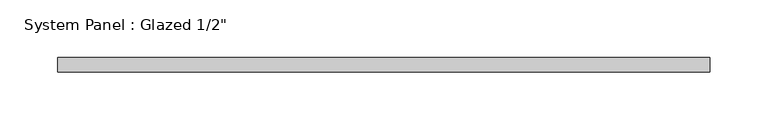
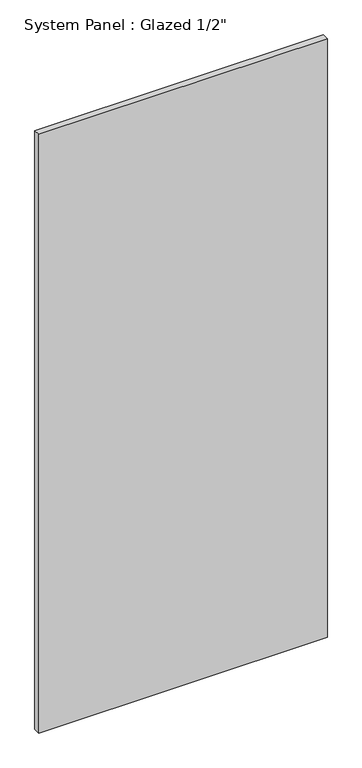
"""IFC4 building model written with IfcOpenShell, lengths in millimetres: plate geometry."""

from ifc_helpers import new_model, si_unit, origin, origin_with_axes, place, context, project, spatial, polyline, outline, extrude, source, transform, mapped, element, save


def plate_6c45a880(model_context):
    return source(origin(), model_context, "Body", "SweptSolid", [
        extrude(outline(polyline([(283.3254402, -6.35), (-283.3254402, -6.35), (-283.3254402, 6.35), (283.3254402, 6.35), (283.3254402, -6.35)])), origin_with_axes(), (0.0, 0.0, 1.0), 1241.5880352),
    ])


if __name__ == "__main__":
    model = new_model("IFC4")
    model_context = context("Model", 3, world=origin())
    ifc_project = project(units=[si_unit("LENGTHUNIT", "METRE", prefix="MILLI")], contexts=[model_context])
    site = spatial("IfcSite", under=ifc_project)
    building = spatial("IfcBuilding", under=site)
    placement = place(None, origin())
    plate_shape = plate_6c45a880(model_context)
    element("IfcPlate", 1, ObjectType="System Panel : Glazed 1/2\"", at=placement, inside=building, context=model_context, shape_type="MappedRepresentation", body=[
        mapped(plate_shape, transform((0.0, 0.0, 0.0), x_axis=(1.0, 0.0, 0.0), y_axis=(0.0, 1.0, 0.0), z_axis=(0.0, 0.0, 1.0))),
    ])
    save(model, "model.ifc")
